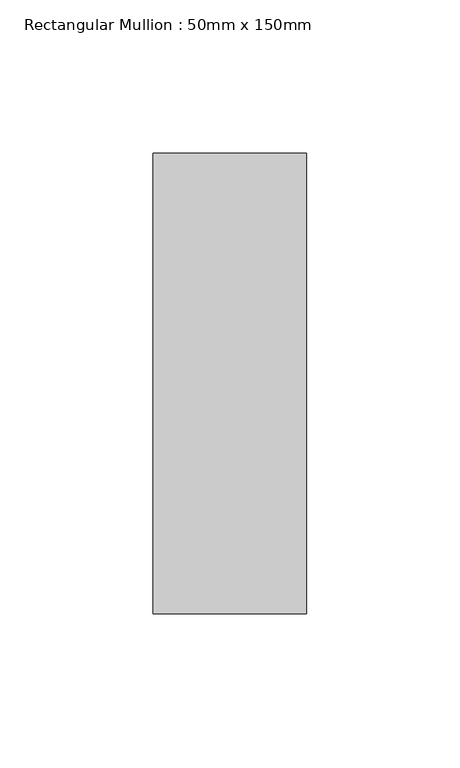
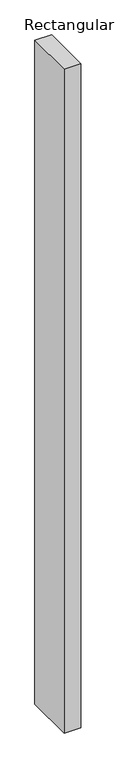
"""IFC4 building model written with IfcOpenShell, lengths in millimetres: member geometry, Rectangular Mullion : 50mm x 150mm."""

from ifc_helpers import new_model, si_unit, frame, origin, place, context, project, spatial, polyline, outline, extrude, source, transform, mapped, element, save


def rectangular_mullion_50mm_x_150mm_b0699aa6(model_context):
    return source(origin(), model_context, "Body", "SweptSolid", [
        extrude(outline(polyline([(0.0, 75.0), (0.0, -75.0), (-50.0, -75.0), (-50.0, 75.0), (0.0, 75.0)])), frame((0.0, 0.0, -2083.4195363), z_axis=(0.0, 0.0, 1.0), x_axis=(1.0, 0.0, 0.0)), (0.0, 0.0, 1.0), 2083.4195363),
    ])


if __name__ == "__main__":
    model = new_model("IFC4")
    model_context = context("Model", 3, world=origin())
    ifc_project = project(units=[si_unit("LENGTHUNIT", "METRE", prefix="MILLI")], contexts=[model_context])
    site = spatial("IfcSite", under=ifc_project)
    building = spatial("IfcBuilding", under=site)
    placement = place(None, origin())
    rectangular_mullion_50mm_x_150mm_shape = rectangular_mullion_50mm_x_150mm_b0699aa6(model_context)
    element("IfcMember", 1, ObjectType="Rectangular Mullion : 50mm x 150mm", at=placement, inside=building, context=model_context, shape_type="MappedRepresentation", body=[
        mapped(rectangular_mullion_50mm_x_150mm_shape, transform((0.0, 0.0, 0.0), x_axis=(1.0, 0.0, 0.0), y_axis=(0.0, 1.0, 0.0), z_axis=(0.0, 0.0, 1.0))),
    ])
    save(model, "model.ifc")
